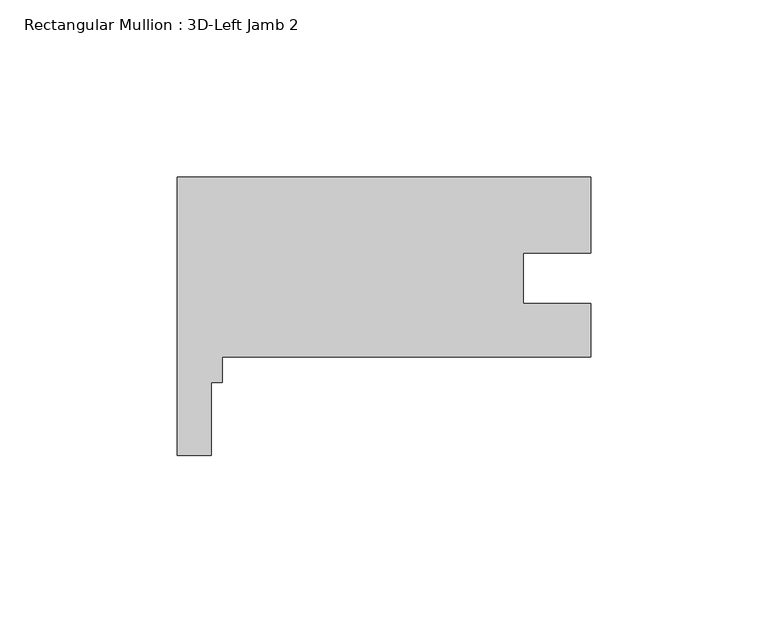
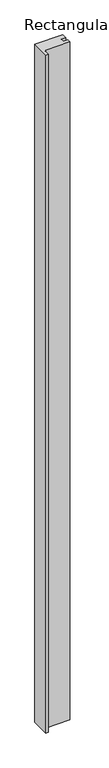
"""IFC4 building model written with IfcOpenShell, lengths in millimetres: member geometry, Rectangular Mullion : 3D-Left Jamb 2."""

from ifc_helpers import new_model, si_unit, frame, origin, place, context, project, spatial, polyline, outline, extrude, source, transform, mapped, element, save


def rectangular_mullion_3d_left_jamb_2_7ce36b1a(model_context):
    return source(origin(), model_context, "Body", "SweptSolid", [
        extrude(outline(polyline([(9.525, -18.25625), (0.0, -18.25625), (0.0, 60.331096), (116.586, 60.331096), (116.586, 38.9442894), (97.5614013, 38.9442894), (97.5614013, 24.631396), (116.5860013, 24.631396), (116.5860013, 9.531096), (12.7, 9.531096), (12.7, 2.36855), (9.525, 2.36855), (9.525, -18.25625)])), frame((0.0, 0.0, -2984.5), z_axis=(0.0, 0.0, 1.0), x_axis=(1.0, 0.0, 0.0)), (0.0, 0.0, 1.0), 2984.5),
    ])


if __name__ == "__main__":
    model = new_model("IFC4")
    model_context = context("Model", 3, world=origin())
    ifc_project = project(units=[si_unit("LENGTHUNIT", "METRE", prefix="MILLI")], contexts=[model_context])
    site = spatial("IfcSite", under=ifc_project)
    building = spatial("IfcBuilding", under=site)
    placement = place(None, origin())
    rectangular_mullion_3d_left_jamb_2_shape = rectangular_mullion_3d_left_jamb_2_7ce36b1a(model_context)
    element("IfcMember", 1, ObjectType="Rectangular Mullion : 3D-Left Jamb 2", at=placement, inside=building, context=model_context, shape_type="MappedRepresentation", body=[
        mapped(rectangular_mullion_3d_left_jamb_2_shape, transform((0.0, 0.0, 0.0), x_axis=(1.0, 0.0, 0.0), y_axis=(0.0, 1.0, 0.0), z_axis=(0.0, 0.0, 1.0))),
    ])
    save(model, "model.ifc")
